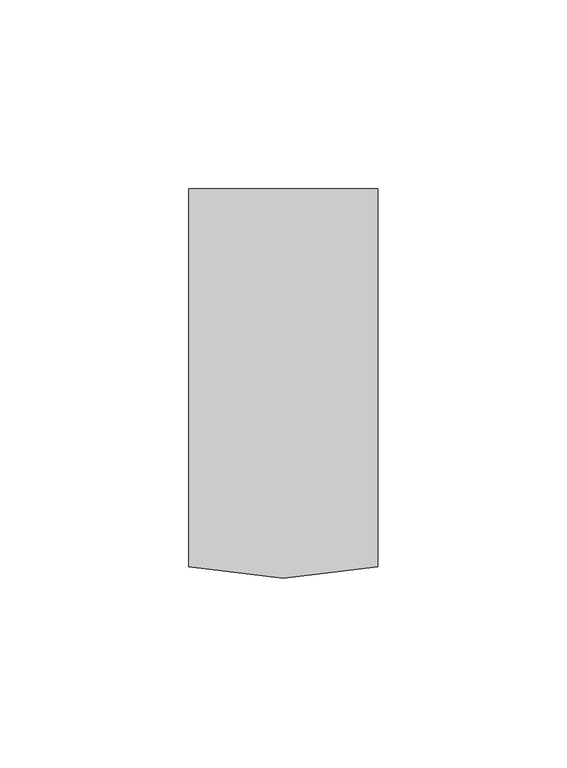
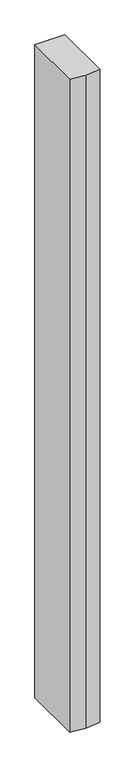
"""IFC4 building model written with IfcOpenShell, lengths in millimetres: member geometry."""

from ifc_helpers import new_model, si_unit, frame, origin, place, context, project, spatial, polyline, outline, extrude, source, transform, mapped, element, save


def member_7890e0c6(model_context):
    return source(origin(), model_context, "Body", "SweptSolid", [
        extrude(outline(polyline([(-25.0, -3.0), (-25.0, 97.0), (25.0, 97.0), (25.0, -3.0), (0.0, -6.0), (-25.0, -3.0)])), frame((0.0, 0.0, -1150.0000003), z_axis=(0.0, 0.0, 1.0), x_axis=(1.0, 0.0, 0.0)), (0.0, 0.0, 1.0), 1150.0000003),
    ])


if __name__ == "__main__":
    model = new_model("IFC4")
    model_context = context("Model", 3, world=origin())
    ifc_project = project(units=[si_unit("LENGTHUNIT", "METRE", prefix="MILLI")], contexts=[model_context])
    site = spatial("IfcSite", under=ifc_project)
    building = spatial("IfcBuilding", under=site)
    placement = place(None, origin())
    member_shape = member_7890e0c6(model_context)
    element("IfcMember", 1, at=placement, inside=building, context=model_context, shape_type="MappedRepresentation", body=[
        mapped(member_shape, transform((0.0, 0.0, 0.0), x_axis=(1.0, 0.0, 0.0), y_axis=(0.0, 1.0, 0.0), z_axis=(0.0, 0.0, 1.0))),
    ])
    save(model, "model.ifc")
